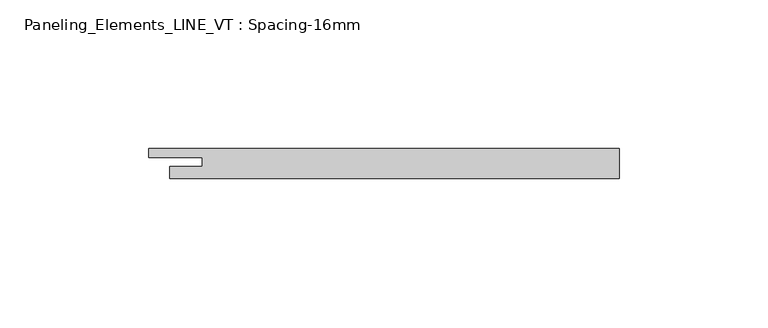
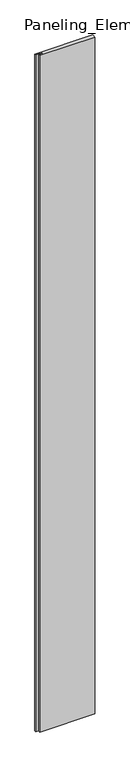
"""IFC4 building model written with IfcOpenShell, lengths in millimetres: plate geometry, Paneling_Elements_LINE_VT : Spacing-16mm."""

from ifc_helpers import new_model, si_unit, origin, origin_with_axes, place, context, project, spatial, polyline, outline, extrude, source, transform, mapped, element, save


def paneling_elements_line_vt_spacing_16mm_31a7b2a6(model_context):
    return source(origin(), model_context, "Body", "SweptSolid", [
        extrude(outline(polyline([(75.5, -5.0), (-75.5, -5.0), (-75.5, -1.0), (-64.5, -1.0), (-64.5, 2.0), (-82.5, 2.0), (-82.5, 5.0), (75.5, 5.0), (75.5, -5.0)])), origin_with_axes(), (0.0, 0.0, 1.0), 1951.0),
    ])


if __name__ == "__main__":
    model = new_model("IFC4")
    model_context = context("Model", 3, world=origin())
    ifc_project = project(units=[si_unit("LENGTHUNIT", "METRE", prefix="MILLI")], contexts=[model_context])
    site = spatial("IfcSite", under=ifc_project)
    building = spatial("IfcBuilding", under=site)
    placement = place(None, origin())
    paneling_elements_line_vt_spacing_16mm_shape = paneling_elements_line_vt_spacing_16mm_31a7b2a6(model_context)
    element("IfcPlate", 1, ObjectType="Paneling_Elements_LINE_VT : Spacing-16mm", at=placement, inside=building, context=model_context, shape_type="MappedRepresentation", body=[
        mapped(paneling_elements_line_vt_spacing_16mm_shape, transform((0.0, 0.0, 0.0), x_axis=(1.0, 0.0, 0.0), y_axis=(0.0, 1.0, 0.0), z_axis=(0.0, 0.0, 1.0))),
    ])
    save(model, "model.ifc")
